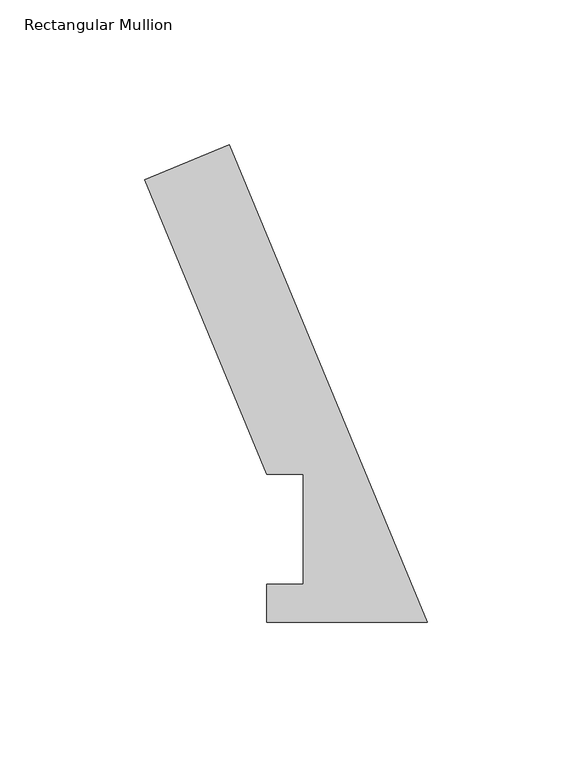
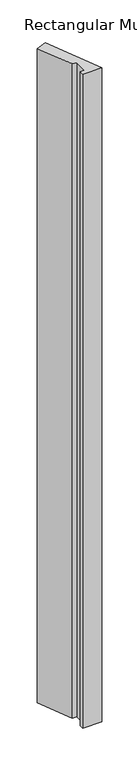
"""IFC4 building model written with IfcOpenShell, lengths in millimetres: member geometry, Rectangular Mullion."""

import ifcopenshell
import ifcopenshell.guid

model = None  # the IFC model being written
_history = None  # IfcOwnerHistory: only IFC2X3 demands one
_inside = {}  # id of a spatial element -> (the spatial element, [elements in it])
_under = {}  # id of a project, library or spatial element -> (it, [spatial elements below it])
_declared = {}  # id of a project -> (the project, [libraries it declares])
_typed = {}  # id of a type object -> (the type object, [elements of that type])
_made_of = {}  # id of a material, layer set ... -> (it, [elements and type objects made of it])


def new_model(schema):
    """Start an empty IFC model of exactly this schema.

    Asked for "IFC4X3", IfcOpenShell would pick the latest addendum, in which some entities
    have other attributes; the version numbers below select the first issue.
    IFC2X3 requires an IfcOwnerHistory on every rooted entity: one is made here for all.
    """
    global model, _history
    if schema == "IFC4X3":
        model = ifcopenshell.file(schema_version=(4, 3, 0, 0))
    else:
        model = ifcopenshell.file(schema=schema)
    _inside.clear()
    _under.clear()
    _declared.clear()
    _typed.clear()
    _made_of.clear()
    _history = None
    if model.schema == "IFC2X3":
        org = make("IfcOrganization", Name="unknown")
        user = make(
            "IfcPersonAndOrganization",
            ThePerson=make("IfcPerson", FamilyName="unknown"),
            TheOrganization=org,
        )
        app = make(
            "IfcApplication",
            ApplicationDeveloper=org,
            Version="unknown",
            ApplicationFullName="unknown",
            ApplicationIdentifier="unknown",
        )
        _history = make(
            "IfcOwnerHistory",
            OwningUser=user,
            OwningApplication=app,
            ChangeAction="ADDED",
            CreationDate=0,
        )
    return model


def make(cls, **values):
    """One entity of the class cls with the attributes given. An attribute that is None is left unset."""
    return model.create_entity(
        cls, **{name: value for name, value in values.items() if value is not None}
    )


def rooted(cls, **values):
    """An entity with a GlobalId (a new one), such as an element, a storey or a relation."""
    return make(cls, GlobalId=ifcopenshell.guid.new(), OwnerHistory=_history, **values)


def si_unit(unit_type, name, prefix=None):
    """IfcSIUnit, for example si_unit("LENGTHUNIT", "METRE", prefix="MILLI")."""
    return make("IfcSIUnit", UnitType=unit_type, Prefix=prefix, Name=name)


def assignment(units):
    """IfcUnitAssignment: the units of a project."""
    return None if units is None else make("IfcUnitAssignment", Units=units)


def point(xyz):
    """IfcCartesianPoint."""
    return None if xyz is None else make("IfcCartesianPoint", Coordinates=xyz)


def direction(xyz):
    """IfcDirection."""
    return None if xyz is None else make("IfcDirection", DirectionRatios=xyz)


def frame(location, z_axis=None, x_axis=None):
    """IfcAxis2Placement3D, a coordinate frame: its origin and axes. An axis left out is left unset."""
    return make(
        "IfcAxis2Placement3D",
        Location=point(location),
        Axis=direction(z_axis),
        RefDirection=direction(x_axis),
    )


def origin():
    """The frame at (0, 0, 0) with its axes left unset."""
    return frame((0.0, 0.0, 0.0))


def place(relative_to, where):
    """IfcLocalPlacement: puts the frame where relative to a parent placement (None: the world)."""
    return make(
        "IfcLocalPlacement", PlacementRelTo=relative_to, RelativePlacement=where
    )


def context(
    kind, dimensions, precision=None, world=None, true_north=None, identifier=None
):
    """IfcGeometricRepresentationContext, for example the 3D "Model" context."""
    return make(
        "IfcGeometricRepresentationContext",
        ContextIdentifier=identifier,
        ContextType=kind,
        CoordinateSpaceDimension=dimensions,
        Precision=precision,
        WorldCoordinateSystem=world,
        TrueNorth=true_north,
    )


def project(units=None, contexts=None):
    """IfcProject with its units and contexts."""
    return rooted(
        "IfcProject",
        Name="project",
        RepresentationContexts=contexts,
        UnitsInContext=assignment(units),
    )


def spatial(cls, under=None, at=None, **own):
    """A site, building, storey or space (cls), placed at a placement, below another one or the project."""
    s = rooted(cls, ObjectPlacement=at, **own)
    if under is not None:
        _under.setdefault(under.id(), (under, []))[1].append(s)
    return s


def polyline(points):
    """IfcPolyline through the points."""
    return make("IfcPolyline", Points=[point(p) for p in points])


def outline(outer, holes=None, kind="AREA"):
    """IfcArbitraryClosedProfileDef: a profile drawn as a closed curve; with holes, ...WithVoids."""
    if holes is None:
        return make("IfcArbitraryClosedProfileDef", ProfileType=kind, OuterCurve=outer)
    return make(
        "IfcArbitraryProfileDefWithVoids",
        ProfileType=kind,
        OuterCurve=outer,
        InnerCurves=holes,
    )


def extrude(swept, where, along, depth):
    """IfcExtrudedAreaSolid: the profile swept, set in the frame where, extruded along a direction by depth."""
    return make(
        "IfcExtrudedAreaSolid",
        SweptArea=swept,
        Position=where,
        ExtrudedDirection=direction(along),
        Depth=depth,
    )


def shape(context_of_items, identifier, shape_type, items):
    """IfcShapeRepresentation: the items that make up one representation, for example the "Body"."""
    return make(
        "IfcShapeRepresentation",
        ContextOfItems=context_of_items,
        RepresentationIdentifier=identifier,
        RepresentationType=shape_type,
        Items=items,
    )


def source(mapping_origin, context_of_items, identifier, shape_type, items):
    """IfcRepresentationMap: a shape defined once, which mapped items show again and again."""
    return make(
        "IfcRepresentationMap",
        MappingOrigin=mapping_origin,
        MappedRepresentation=shape(context_of_items, identifier, shape_type, items),
    )


def transform(
    local_origin,
    x_axis=None,
    y_axis=None,
    z_axis=None,
    scale=None,
    scale2=None,
    scale3=None,
    uniform=True,
):
    """IfcCartesianTransformationOperator3D, or its non-uniform kind. x_axis, y_axis, z_axis: its Axis1, 2, 3."""
    if uniform:
        return make(
            "IfcCartesianTransformationOperator3D",
            Axis1=direction(x_axis),
            Axis2=direction(y_axis),
            LocalOrigin=point(local_origin),
            Scale=scale,
            Axis3=direction(z_axis),
        )
    return make(
        "IfcCartesianTransformationOperator3DnonUniform",
        Axis1=direction(x_axis),
        Axis2=direction(y_axis),
        LocalOrigin=point(local_origin),
        Scale=scale,
        Axis3=direction(z_axis),
        Scale2=scale2,
        Scale3=scale3,
    )


def mapped(mapping_source, mapping_target):
    """IfcMappedItem: shows the shape of a source again, moved by a transform."""
    return make(
        "IfcMappedItem", MappingSource=mapping_source, MappingTarget=mapping_target
    )


def made_of(thing, what):
    """Note that an element or type object is made of a material, layer set ...; save() writes the relation."""
    if what is not None:
        _made_of.setdefault(what.id(), (what, []))[1].append(thing)
    return thing


def element(
    cls,
    number,
    at=None,
    inside=None,
    cuts=None,
    type_object=None,
    material=None,
    context=None,
    identifier="Body",
    shape_type=None,
    held_by="IfcProductDefinitionShape",
    body=None,
    shapes=None,
    **own,
):
    """One element of the class cls, such as IfcWall. Its Tag is "e" and its number.

    at: its placement. inside: the storey or other place that contains it. cuts: it is an
    opening in that element (IfcRelVoidsElement). A single representation is given by context,
    identifier, shape_type and body (its items); several are given by shapes. held_by: the class
    of the entity that holds the representations. save() writes the other relations.
    """
    e = rooted(cls, Tag="e%d" % number, ObjectPlacement=at, **own)
    if body is not None:
        shapes = [shape(context, identifier, shape_type, body)]
    if shapes is not None:
        e.Representation = make(held_by, Representations=shapes)
    if inside is not None:
        _inside.setdefault(inside.id(), (inside, []))[1].append(e)
    if cuts is not None:
        rooted(
            "IfcRelVoidsElement", RelatingBuildingElement=cuts, RelatedOpeningElement=e
        )
    if type_object is not None:
        _typed.setdefault(type_object.id(), (type_object, []))[1].append(e)
    return made_of(e, material)


def aggregate(whole, parts):
    """IfcRelAggregates: a whole, such as a stair, and the parts it consists of."""
    return rooted("IfcRelAggregates", RelatingObject=whole, RelatedObjects=parts)


def save(model, path):
    """Write the relations noted so far, then the file.

    IfcRelAggregates (storeys below a building ...), IfcRelContainedInSpatialStructure (elements
    in a storey), IfcRelDefinesByType, IfcRelAssociatesMaterial and IfcRelDeclares: one each for
    every whole, place, type object, material and project.
    """
    for whole, parts in _under.values():
        aggregate(whole, parts)
    for where, things in _inside.values():
        rooted(
            "IfcRelContainedInSpatialStructure",
            RelatedElements=things,
            RelatingStructure=where,
        )
    for kind, things in _typed.values():
        rooted("IfcRelDefinesByType", RelatedObjects=things, RelatingType=kind)
    for what, things in _made_of.values():
        rooted("IfcRelAssociatesMaterial", RelatedObjects=things, RelatingMaterial=what)
    for by, libraries in _declared.values():
        rooted("IfcRelDeclares", RelatingContext=by, RelatedDefinitions=libraries)
    model.write(path)


def rectangular_mullion_1407f9ce(model_context):
    return source(origin(), model_context, "Body", "SweptSolid", [
        extrude(outline(polyline([(0.0, 0.060298), (-55.5640922, 0.060298), (-55.5640922, 13.2332912), (-42.8885138, 13.2332912), (-42.8885138, 51.2960938), (-55.5885138, 51.2960938), (-97.8128853, 153.2347441), (-68.4797102, 165.384943), (0.0, 0.060298)])), frame((0.0, 0.0, -1993.8999999), z_axis=(0.0, 0.0, 1.0), x_axis=(1.0, 0.0, 0.0)), (0.0, 0.0, 1.0), 1993.8999999),
    ])


if __name__ == "__main__":
    model = new_model("IFC4")
    model_context = context("Model", 3, world=origin())
    ifc_project = project(units=[si_unit("LENGTHUNIT", "METRE", prefix="MILLI")], contexts=[model_context])
    site = spatial("IfcSite", under=ifc_project)
    building = spatial("IfcBuilding", under=site)
    placement = place(None, origin())
    rectangular_mullion_shape = rectangular_mullion_1407f9ce(model_context)
    element("IfcMember", 1, ObjectType="Rectangular Mullion", at=placement, inside=building, context=model_context, shape_type="MappedRepresentation", body=[
        mapped(rectangular_mullion_shape, transform((0.0, 0.0, 0.0), x_axis=(1.0, 0.0, 0.0), y_axis=(0.0, 1.0, 0.0), z_axis=(0.0, 0.0, 1.0))),
    ])
    save(model, "model.ifc")
